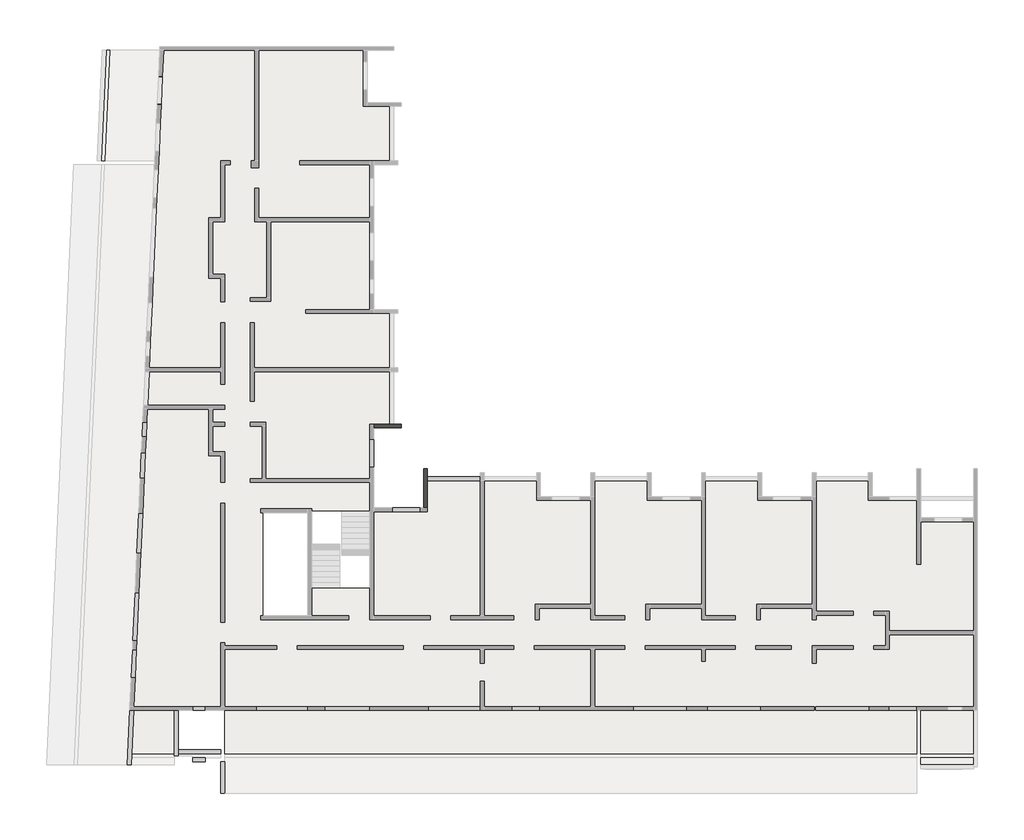
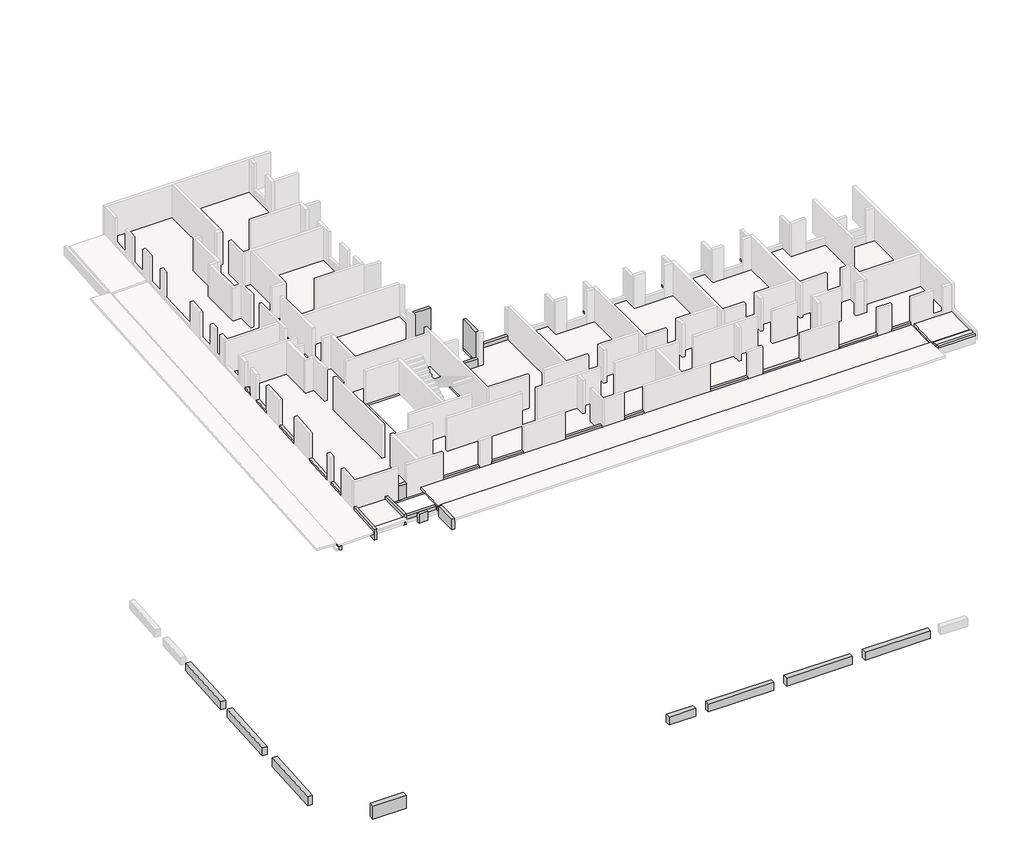
# One storey, part 3 of 4: 34 beams, 4 slabs.
"""IFC4 building model written with IfcOpenShell, lengths in millimetres."""

from ifc_helpers import new_model, si_unit, frame, origin, place, context, project, spatial, polyline, outline, extrude, faceted_brep, element, save

model = new_model("IFC4")

# Units and contexts
model_context = context("Model", 3, world=origin())
ifc_project = project(units=[si_unit("LENGTHUNIT", "METRE", prefix="MILLI")], contexts=[model_context])

# Site, building, storey
site = spatial("IfcSite", under=ifc_project)
building = spatial("IfcBuilding", under=site)
storey = spatial("IfcBuildingStorey", under=building, Elevation=17350.0)

# Beams
placement = place(None, origin())
element("IfcBeam", 1, ObjectType="VF. 35/100", at=placement, inside=storey, context=model_context, shape_type="SweptSolid", body=[
    extrude(outline(polyline([(-39315.6912908, -18724.0672499), (-39315.6912908, -19074.0672499), (-41735.6912908, -19074.0672499), (-41735.6912908, -18724.0672499), (-39315.6912908, -18724.0672499)])), frame((0.0, 0.0, -4300.0), z_axis=(0.0, 0.0, 1.0), x_axis=(1.0, 0.0, 0.0)), (0.0, 0.0, 1.0), 1000.0),
])
element("IfcBeam", 2, ObjectType="VF. 35/60", at=placement, inside=storey, context=model_context, shape_type="SweptSolid", body=[
    extrude(outline(polyline([(-18535.6912908, -19094.0672499), (-18535.6912908, -19444.0672499), (-20455.6912908, -19444.0672499), (-20455.6912908, -19094.0672499), (-18535.6912908, -19094.0672499)])), frame((0.0, 0.0, -4300.0), z_axis=(0.0, 0.0, 1.0), x_axis=(1.0, 0.0, 0.0)), (0.0, 0.0, 1.0), 600.0),
])
element("IfcBeam", 3, ObjectType="VF. 35/60", at=placement, inside=storey, context=model_context, shape_type="SweptSolid", body=[
    extrude(outline(polyline([(-12845.6912908, -19094.0672499), (-12845.6912908, -19444.0672499), (-17610.6912908, -19444.0672499), (-17610.6912908, -19094.0672499), (-12845.6912908, -19094.0672499)])), frame((0.0, 0.0, -4300.0), z_axis=(0.0, 0.0, 1.0), x_axis=(1.0, 0.0, 0.0)), (0.0, 0.0, 1.0), 600.0),
])
element("IfcBeam", 4, ObjectType="VF. 35/60", at=placement, inside=storey, context=model_context, shape_type="SweptSolid", body=[
    extrude(outline(polyline([(-7155.6912908, -19094.0672499), (-7155.6912908, -19444.0672499), (-11920.6912908, -19444.0672499), (-11920.6912908, -19094.0672499), (-7155.6912908, -19094.0672499)])), frame((0.0, 0.0, -4300.0), z_axis=(0.0, 0.0, 1.0), x_axis=(1.0, 0.0, 0.0)), (0.0, 0.0, 1.0), 600.0),
])
element("IfcBeam", 5, ObjectType="VF. 35/60", at=placement, inside=storey, context=model_context, shape_type="SweptSolid", body=[
    extrude(outline(polyline([(-1485.6912908, -19094.0672499), (-1485.6912908, -19444.0672499), (-6230.6912908, -19444.0672499), (-6230.6912908, -19094.0672499), (-1485.6912908, -19094.0672499)])), frame((0.0, 0.0, -4300.0), z_axis=(0.0, 0.0, 1.0), x_axis=(1.0, 0.0, 0.0)), (0.0, 0.0, 1.0), 600.0),
])
element("IfcBeam", 6, ObjectType="VF. 35/60", at=placement, inside=storey, context=model_context, shape_type="SweptSolid", body=[
    extrude(outline(polyline([(-43802.0644117, 886.0114476), (-43452.4240025, 870.1500411), (-43669.7252716, -3919.9235657), (-44019.3656808, -3904.0621592), (-43802.0644117, 886.0114476)])), frame((0.0, 0.0, -4300.0), z_axis=(0.0, 0.0, 1.0), x_axis=(1.0, 0.0, 0.0)), (0.0, 0.0, 1.0), 600.0),
    extrude(outline(polyline([(-44060.3787462, -4808.1323603), (-43710.7383369, -4823.9937668), (-43927.8130145, -9609.0725106), (-44277.4534238, -9593.2111041), (-44060.3787462, -4808.1323603)])), frame((0.0, 0.0, -4300.0), z_axis=(0.0, 0.0, 1.0), x_axis=(1.0, 0.0, 0.0)), (0.0, 0.0, 1.0), 600.0),
])
element("IfcBeam", 7, ObjectType="VF. 35/70", at=placement, inside=storey, context=model_context, shape_type="SweptSolid", body=[
    extrude(outline(polyline([(-44206.5205859, -15752.7539875), (-44556.1609951, -15736.892581), (-44339.0863176, -10951.8138372), (-43989.4459083, -10967.6752437), (-44206.5205859, -15752.7539875)])), frame((0.0, 0.0, -4300.0), z_axis=(0.0, 0.0, 1.0), x_axis=(1.0, 0.0, 0.0)), (0.0, 0.0, 1.0), 700.0),
])
element("IfcBeam", 8, ObjectType="VI. 20/125", at=placement, inside=storey, context=model_context, shape_type="SweptSolid", body=[
    extrude(outline(polyline([(-37760.6912908, -16219.0672499), (-37760.6912908, -16419.0672499), (-38350.6912908, -16419.0672499), (-38350.6912908, -16219.0672499), (-37760.6912908, -16219.0672499)])), frame((0.0, 0.0, 17350.0), z_axis=(0.0, 0.0, 1.0), x_axis=(1.0, 0.0, 0.0)), (0.0, 0.0, 1.0), 1100.0),
])
element("IfcBeam", 9, ObjectType="VI. 20/238", at=placement, inside=storey, context=model_context, shape_type="Brep", body=[
    faceted_brep([(-26495.6912908, -3999.0672499, 19580.0), (-26295.6912908, -3999.0672499, 19580.0), (-26295.6912908, -3999.0672499, 17350.0), (-26495.6912908, -3999.0672499, 17350.0), (-26295.6912908, -6004.0672499, 19580.0), (-26495.6912908, -6004.0672499, 19580.0), (-26495.6912908, -6004.0672499, 17350.0), (-26295.6912908, -6004.0672499, 17350.0), (-26295.6912908, -4599.0672499, 17350.0), (-26295.6912908, -4399.0672499, 17350.0)], [[[0, 1, 2, 3]], [[4, 5, 6, 7]], [[1, 4, 7, 8, 9, 2]], [[5, 0, 3, 6]], [[1, 0, 5, 4]], [[3, 2, 9, 8, 7, 6]]]),
])
element("IfcBeam", 10, ObjectType="VI. 20/238", at=placement, inside=storey, context=model_context, shape_type="Brep", body=[
    faceted_brep([(-27635.6912908, -1689.5482142, 19580.0), (-27635.6912908, -1889.5482142, 19580.0), (-27635.6912908, -1889.5482142, 17350.0), (-27635.6912908, -1689.5482142, 17350.0), (-29065.6912908, -1889.5482142, 19580.0), (-29065.6912908, -1689.5482142, 19580.0), (-29065.6912908, -1689.5482142, 17350.0), (-29065.6912908, -1889.5482142, 17350.0), (-28035.6912908, -1689.5482142, 17350.0), (-28235.6912908, -1689.5482142, 17350.0)], [[[0, 1, 2, 3]], [[4, 5, 6, 7]], [[5, 0, 3, 8, 9, 6]], [[1, 4, 7, 2]], [[1, 0, 5, 4]], [[3, 2, 7, 6, 9, 8]]]),
])
element("IfcBeam", 11, ObjectType="VI. 20/44.5", at=placement, inside=storey, context=model_context, shape_type="Brep", body=[
    faceted_brep([(-39315.6912908, -18649.0672499, 17300.0), (-39315.6912908, -18449.0672499, 17300.0), (-39315.6912908, -18449.0672499, 17599.9531323), (-39315.6912908, -18649.0672499, 17594.9531323), (-39315.6912908, -18649.0672499, 17500.0), (-41510.006187, -18649.0672499, 17300.0), (-41510.006187, -18649.0672499, 17594.9531323), (-41510.006187, -18649.0672499, 17500.0), (-41500.9332045, -18449.0672499, 17300.0), (-41500.9332045, -18449.0672499, 17599.9531323)], [[[0, 1, 2, 3, 4]], [[5, 0, 4, 3, 6, 7]], [[1, 0, 5, 8]], [[1, 8, 9, 2]], [[8, 5, 7, 6, 9]], [[3, 2, 9, 6]]]),
])
element("IfcBeam", 12, ObjectType="VI. 20/44.5", at=placement, inside=storey, context=model_context, shape_type="Brep", body=[
    faceted_brep([(-36935.6912908, -18649.0672499, 17770.0), (-36935.6912908, -18649.0672499, 17500.0), (-36935.6912908, -18649.0672499, 17325.0), (-36935.6912908, -18449.0672499, 17325.0), (-36935.6912908, -18449.0672499, 17770.0), (-39115.6912908, -18649.0672499, 17770.0), (-39115.6912908, -18449.0672499, 17770.0), (-39115.6912908, -18449.0672499, 17325.0), (-39115.6912908, -18649.0672499, 17325.0), (-39115.6912908, -18649.0672499, 17500.0)], [[[0, 1, 2, 3, 4]], [[5, 6, 7, 8, 9]], [[2, 1, 0, 5, 9, 8]], [[3, 2, 8, 7]], [[4, 3, 7, 6]], [[0, 4, 6, 5]]]),
])
element("IfcBeam", 13, ObjectType="VI. 20/44.5", at=placement, inside=storey, context=model_context, shape_type="Brep", body=[
    faceted_brep([(1794.3087092, -18649.0672499, 17300.0), (1794.3087092, -18449.0672499, 17300.0), (1794.3087092, -18449.0672499, 17599.9531323), (1794.3087092, -18649.0672499, 17594.9531323), (1794.3087092, -18649.0672499, 17500.0), (-925.6912908, -18649.0672499, 17300.0), (-925.6912908, -18649.0672499, 17594.9531323), (-925.6912908, -18649.0672499, 17500.0), (-925.6912908, -18449.0672499, 17300.0), (-925.6912908, -18449.0672499, 17599.9531323)], [[[0, 1, 2, 3, 4]], [[5, 0, 4, 3, 6, 7]], [[1, 0, 5, 8]], [[1, 8, 9, 2]], [[8, 5, 7, 6, 9]], [[3, 2, 9, 6]]]),
    faceted_brep([(-36735.6912908, -18449.0672499, 17300.0), (-36735.6912908, -18649.0672499, 17300.0), (-36735.6912908, -18649.0672499, 17500.0), (-36735.6912908, -18649.0672499, 17594.9531323), (-36735.6912908, -18449.0672499, 17599.9531323), (-32185.6912908, -18649.0672499, 17300.0), (-32185.6912908, -18449.0672499, 17300.0), (-32185.6912908, -18449.0672499, 17599.9531323), (-32185.6912908, -18649.0672499, 17594.9531323), (-32185.6912908, -18649.0672499, 17500.0)], [[[0, 1, 2, 3, 4]], [[5, 6, 7, 8, 9]], [[1, 0, 6, 5]], [[4, 3, 8, 7]], [[1, 5, 9, 8, 3, 2]], [[6, 0, 4, 7]]]),
    faceted_brep([(-29065.6912908, -18649.0672499, 17300.0), (-29065.6912908, -18649.0672499, 17500.0), (-29065.6912908, -18649.0672499, 17594.9531323), (-29065.6912908, -18449.0672499, 17599.9531323), (-29065.6912908, -18449.0672499, 17300.0), (-23575.6912908, -18649.0672499, 17300.0), (-23575.6912908, -18449.0672499, 17300.0), (-23575.6912908, -18449.0672499, 17599.9531323), (-23575.6912908, -18649.0672499, 17594.9531323), (-23575.6912908, -18649.0672499, 17500.0)], [[[0, 1, 2, 3, 4]], [[5, 6, 7, 8, 9]], [[3, 2, 8, 7]], [[0, 4, 6, 5]], [[1, 0, 5, 9, 8, 2]], [[6, 4, 3, 7]]]),
    faceted_brep([(-29265.6912908, -18649.0672499, 17500.0), (-29265.6912908, -18649.0672499, 17300.0), (-29265.6912908, -18449.0672499, 17300.0), (-29265.6912908, -18449.0672499, 17599.9531323), (-29265.6912908, -18649.0672499, 17594.9531323), (-31985.6912908, -18449.0672499, 17300.0), (-31985.6912908, -18649.0672499, 17300.0), (-31985.6912908, -18649.0672499, 17500.0), (-31985.6912908, -18649.0672499, 17594.9531323), (-31985.6912908, -18449.0672499, 17599.9531323)], [[[0, 1, 2, 3, 4]], [[5, 6, 7, 8, 9]], [[4, 3, 9, 8]], [[2, 1, 6, 5]], [[1, 0, 4, 8, 7, 6]], [[2, 5, 9, 3]]]),
    faceted_brep([(-17685.6912908, -18649.0672499, 17300.0), (-17685.6912908, -18649.0672499, 17500.0), (-17685.6912908, -18649.0672499, 17594.9531323), (-17685.6912908, -18449.0672499, 17599.9531323), (-17685.6912908, -18449.0672499, 17300.0), (-12195.6912908, -18649.0672499, 17500.0), (-12195.6912908, -18649.0672499, 17300.0), (-12195.6912908, -18449.0672499, 17300.0), (-12195.6912908, -18449.0672499, 17599.9531323), (-12195.6912908, -18649.0672499, 17594.9531323)], [[[0, 1, 2, 3, 4]], [[5, 6, 7, 8, 9]], [[3, 2, 9, 8]], [[0, 4, 7, 6]], [[1, 0, 6, 5, 9, 2]], [[7, 4, 3, 8]]]),
    faceted_brep([(-17885.6912908, -18649.0672499, 17500.0), (-17885.6912908, -18649.0672499, 17300.0), (-17885.6912908, -18449.0672499, 17300.0), (-17885.6912908, -18449.0672499, 17599.9531323), (-17885.6912908, -18649.0672499, 17594.9531323), (-23375.6912908, -18449.0672499, 17300.0), (-23375.6912908, -18649.0672499, 17300.0), (-23375.6912908, -18649.0672499, 17500.0), (-23375.6912908, -18649.0672499, 17594.9531323), (-23375.6912908, -18449.0672499, 17599.9531323)], [[[0, 1, 2, 3, 4]], [[5, 6, 7, 8, 9]], [[4, 3, 9, 8]], [[2, 1, 6, 5]], [[1, 0, 4, 8, 7, 6]], [[2, 5, 9, 3]]]),
    faceted_brep([(-11995.6912908, -18649.0672499, 17300.0), (-11995.6912908, -18649.0672499, 17500.0), (-11995.6912908, -18649.0672499, 17594.9531323), (-11995.6912908, -18449.0672499, 17599.9531323), (-11995.6912908, -18449.0672499, 17300.0), (-6305.6912908, -18649.0672499, 17300.0), (-6305.6912908, -18649.0672499, 17350.0), (-6305.6912908, -18449.0672499, 17350.0), (-6305.6912908, -18449.0672499, 17300.0), (-6505.6912908, -18649.0672499, 17350.0), (-6505.6912908, -18649.0672499, 17300.0), (-6505.6912908, -18449.0672499, 17300.0), (-6505.6912908, -18449.0672499, 17350.0), (-1125.6912908, -18649.0672499, 17300.0), (-1125.6912908, -18449.0672499, 17300.0), (-1125.6912908, -18449.0672499, 17599.9531323), (-1125.6912908, -18649.0672499, 17594.9531323), (-1125.6912908, -18649.0672499, 17500.0)], [[[0, 1, 2, 3, 4]], [[5, 6, 7, 8]], [[9, 10, 11, 12]], [[13, 14, 15, 16, 17]], [[1, 0, 10, 9, 6, 5, 13, 17, 16, 2]], [[14, 13, 5, 8]], [[11, 4, 3, 15, 14, 8, 7, 12]], [[3, 2, 16, 15]], [[0, 4, 11, 10]], [[7, 6, 9, 12]]]),
])
element("IfcBeam", 14, ObjectType="VI. 20/45", at=placement, inside=storey, context=model_context, shape_type="SweptSolid", body=[
    extrude(outline(polyline([(-23575.6912908, -4399.0672499), (-23575.6912908, -4599.0672499), (-26295.6912908, -4599.0672499), (-26295.6912908, -4399.0672499), (-23575.6912908, -4399.0672499)])), frame((0.0, 0.0, 17350.0), z_axis=(0.0, 0.0, 1.0), x_axis=(1.0, 0.0, 0.0)), (0.0, 0.0, 1.0), 300.0),
])
element("IfcBeam", 15, ObjectType="VI. 20/45", at=placement, inside=storey, context=model_context, shape_type="Brep", body=[
    faceted_brep([(-42935.6912908, 6192.5429061, 17300.0), (-42688.0719142, 11650.9327501, 17300.0), (-42688.0719142, 11650.9327501, 17603.970003), (-44088.4867569, -19219.0672499, 17603.970003), (-44088.4867569, -19219.0672499, 17300.0), (-43035.1134933, 4000.9327501, 17300.0), (-43035.1134933, 4000.9327501, 17350.0), (-42988.3876336, 5030.9327501, 17350.0), (-42988.3876336, 5030.9327501, 17300.0), (-42954.8175985, 5770.9327501, 17300.0), (-42954.8175985, 5770.9327501, 17350.0), (-42935.6912908, 6192.5429061, 17350.0), (-42888.277606, 11650.9327501, 17300.0), (-42935.6912908, 6710.9327501, 17300.0), (-43112.3802727, 6710.9327501, 17300.0), (-43047.054799, 8150.9327501, 17300.0), (-42935.6912908, 8150.9327501, 17300.0), (-42935.6912908, 8730.9327501, 17300.0), (-43020.7431499, 8730.9327501, 17300.0), (-42888.277606, 11650.9327501, 17500.0), (-43020.7431499, 8730.9327501, 17350.0), (-43047.054799, 8150.9327501, 17350.0), (-43112.3802727, 6710.9327501, 17350.0), (-43135.6912908, 6197.0770657, 17350.0), (-43135.6912908, 6197.0770657, 17300.0), (-43226.2462026, 4200.9327501, 17300.0), (-43226.2462026, 4200.9327501, 17350.0), (-43235.3191851, 4000.9327501, 17350.0), (-43235.3191851, 4000.9327501, 17300.0), (-44288.6924486, -19219.0672499, 17300.0), (-44288.6924486, -19219.0672499, 17500.0), (-44288.6924486, -19219.0672499, 17599.970003), (-42888.277606, 11650.9327501, 17599.970003), (-42935.6912908, 8150.9327501, 17350.0), (-42935.6912908, 8730.9327501, 17350.0), (-42935.6912908, 6710.9327501, 17350.0), (-43135.6912908, 5770.9327501, 17350.0), (-43135.6912908, 5770.9327501, 17300.0), (-43135.6912908, 4200.9327501, 17300.0), (-43135.6912908, 4200.9327501, 17350.0), (-43135.6912908, 5030.9327501, 17350.0), (-43135.6912908, 5030.9327501, 17300.0)], [[[0, 1, 2, 3, 4, 5, 6, 7, 8, 9, 10, 11]], [[12, 1, 0, 13, 14, 15, 16, 17, 18]], [[19, 12, 18, 20, 21, 15, 14, 22, 23, 24, 25, 26, 27, 28, 29, 30, 31, 32]], [[33, 34, 17, 16]], [[34, 33, 21, 20]], [[33, 16, 15, 21]], [[17, 34, 20, 18]], [[1, 12, 19, 32, 2]], [[11, 35, 13, 0]], [[23, 36, 37, 24]], [[13, 35, 22, 14]], [[35, 11, 10, 36, 23, 22]], [[37, 36, 10, 9]], [[26, 25, 38, 39]], [[27, 6, 5, 28]], [[40, 39, 38, 41]], [[40, 41, 8, 7]], [[30, 29, 4, 3, 31]], [[3, 2, 32, 31]], [[6, 27, 26, 39, 40, 7]], [[24, 37, 9, 8, 41, 38, 25]], [[28, 5, 4, 29]]]),
])
element("IfcBeam", 16, ObjectType="VI. 20/70", at=placement, inside=storey, context=model_context, shape_type="Brep", body=[
    faceted_brep([(-37735.6912908, -19049.0672499, 17900.0), (-37735.6912908, -19049.0672499, 17200.0), (-37735.6912908, -18849.0672499, 17200.0), (-37735.6912908, -18849.0672499, 17900.0), (-38375.6912908, -19049.0672499, 17900.0), (-38375.6912908, -18849.0672499, 17900.0), (-38375.6912908, -18849.0672499, 17500.0), (-38375.6912908, -18849.0672499, 17300.0), (-38375.6912908, -18849.0672499, 17200.0), (-38375.6912908, -19049.0672499, 17200.0)], [[[0, 1, 2, 3]], [[4, 5, 6, 7, 8, 9]], [[1, 0, 4, 9]], [[2, 1, 9, 8]], [[3, 2, 8, 7, 6, 5]], [[0, 3, 5, 4]]]),
])
element("IfcBeam", 17, ObjectType="VI. 20/75", at=placement, inside=storey, context=model_context, shape_type="SweptSolid", body=[
    extrude(outline(polyline([(-29065.6912908, -3909.0672499), (-29265.6912908, -3909.0672499), (-29265.6912908, -2469.0672499), (-29065.6912908, -2469.0672499), (-29065.6912908, -3909.0672499)])), frame((0.0, 0.0, 17350.0), z_axis=(0.0, 0.0, 1.0), x_axis=(1.0, 0.0, 0.0)), (0.0, 0.0, 1.0), 600.0),
])
element("IfcBeam", 18, ObjectType="VI. 20/75", at=placement, inside=storey, context=model_context, shape_type="SweptSolid", body=[
    extrude(outline(polyline([(-26675.6912908, -6004.0672499), (-26675.6912908, -6204.0672499), (-28115.6912908, -6204.0672499), (-28115.6912908, -6004.0672499), (-26675.6912908, -6004.0672499)])), frame((0.0, 0.0, 17350.0), z_axis=(0.0, 0.0, 1.0), x_axis=(1.0, 0.0, 0.0)), (0.0, 0.0, 1.0), 600.0),
])
element("IfcBeam", 19, ObjectType="VI. 20/75", at=placement, inside=storey, context=model_context, shape_type="Brep", body=[
    faceted_brep([(-41467.4470985, -13297.689544, 17950.0), (-41267.6525789, -13306.7532049, 17950.0), (-41267.6525789, -13306.7532049, 17350.0), (-41467.4470985, -13297.689544, 17350.0), (-41467.4470985, -13297.689544, 17650.970003), (-41467.4470985, -13297.689544, 17801.0), (-41332.9109371, -14745.2737458, 17950.0), (-41532.7054566, -14736.2100849, 17950.0), (-41532.7054566, -14736.2100849, 17801.0), (-41532.7054566, -14736.2100849, 17650.970003), (-41532.7054566, -14736.2100849, 17350.0), (-41332.9109371, -14745.2737458, 17350.0)], [[[0, 1, 2, 3, 4, 5]], [[6, 7, 8, 9, 10, 11]], [[1, 6, 11, 2]], [[7, 0, 5, 4, 3, 10, 9, 8]], [[1, 0, 7, 6]], [[3, 2, 11, 10]]]),
])
element("IfcBeam", 20, ObjectType="VI. 20/75", at=placement, inside=storey, context=model_context, shape_type="Brep", body=[
    faceted_brep([(-41334.8458454, -10374.6980441, 17950.0), (-41135.0513258, -10383.7617049, 17950.0), (-41135.0513258, -10383.7617049, 17350.0), (-41334.8458454, -10374.6980441, 17350.0), (-41334.8458454, -10374.6980441, 17650.970003), (-41334.8458454, -10374.6980441, 17801.0), (-41246.1263843, -12832.2412209, 17950.0), (-41445.9209039, -12823.17756, 17950.0), (-41445.9209039, -12823.17756, 17801.0), (-41445.9209039, -12823.17756, 17650.970003), (-41445.9209039, -12823.17756, 17350.0), (-41246.1263843, -12832.2412209, 17350.0)], [[[0, 1, 2, 3, 4, 5]], [[6, 7, 8, 9, 10, 11]], [[1, 6, 11, 2]], [[7, 0, 5, 4, 3, 10, 9, 8]], [[1, 0, 7, 6]], [[11, 10, 3, 2]]]),
])
element("IfcBeam", 21, ObjectType="VI. 20/75", at=placement, inside=storey, context=model_context, shape_type="Brep", body=[
    faceted_brep([(-41149.2673893, -6283.9052558, 17950.0), (-40949.4728698, -6292.9689167, 17950.0), (-40949.4728698, -6292.9689167, 17350.0), (-41149.2673893, -6283.9052558, 17350.0), (-41149.2673893, -6283.9052558, 17650.970003), (-41149.2673893, -6283.9052558, 17801.0), (-41041.9222105, -8330.8730163, 17950.0), (-41241.7167301, -8321.8093555, 17950.0), (-41241.7167301, -8321.8093555, 17801.0), (-41241.7167301, -8321.8093555, 17650.970003), (-41241.7167301, -8321.8093555, 17350.0), (-41041.9222105, -8330.8730163, 17350.0)], [[[0, 1, 2, 3, 4, 5]], [[6, 7, 8, 9, 10, 11]], [[1, 6, 11, 2]], [[7, 0, 5, 4, 3, 10, 9, 8]], [[1, 0, 7, 6]], [[3, 2, 11, 10]]]),
])
element("IfcBeam", 22, ObjectType="VI. 20/75", at=placement, inside=storey, context=model_context, shape_type="SweptSolid", body=[
    extrude(outline(polyline([(-40867.6367297, -4484.8343098), (-41067.4299409, -4475.7418525), (-41007.6470342, -3162.1014892), (-40807.8538231, -3171.1939465), (-40867.6367297, -4484.8343098)])), frame((0.0, 0.0, 17200.0), z_axis=(0.0, 0.0, 1.0), x_axis=(1.0, 0.0, 0.0)), (0.0, 0.0, 1.0), 750.0),
])
element("IfcBeam", 23, ObjectType="VI. 20/75", at=placement, inside=storey, context=model_context, shape_type="Brep", body=[
    faceted_brep([(-40936.4979507, -1593.7289088, 17950.0), (-40736.7034311, -1602.7925697, 17950.0), (-40736.7034311, -1602.7925697, 17350.0), (-40936.4979507, -1593.7289088, 17350.0), (-40936.4979507, -1593.7289088, 17650.970003), (-40936.4979507, -1593.7289088, 17801.0), (-40770.2389763, -2342.0322921, 17950.0), (-40970.0334959, -2332.9686312, 17950.0), (-40970.0334959, -2332.9686312, 17801.0), (-40970.0334959, -2332.9686312, 17650.970003), (-40970.0334959, -2332.9686312, 17350.0), (-40770.2389763, -2342.0322921, 17350.0)], [[[0, 1, 2, 3, 4, 5]], [[6, 7, 8, 9, 10, 11]], [[1, 6, 11, 2]], [[7, 0, 5, 4, 3, 10, 9, 8]], [[1, 0, 7, 6]], [[3, 2, 11, 10]]]),
])
element("IfcBeam", 24, ObjectType="VI. 20/75", at=placement, inside=storey, context=model_context, shape_type="SweptSolid", body=[
    extrude(outline(polyline([(-35095.6912908, -16419.0672499), (-35095.6912908, -16219.0672499), (-32455.6912908, -16219.0672499), (-32455.6912908, -16419.0672499), (-35095.6912908, -16419.0672499)])), frame((0.0, 0.0, 17350.0), z_axis=(0.0, 0.0, 1.0), x_axis=(1.0, 0.0, 0.0)), (0.0, 0.0, 1.0), 600.0),
])
element("IfcBeam", 25, ObjectType="VI. 20/75", at=placement, inside=storey, context=model_context, shape_type="SweptSolid", body=[
    extrude(outline(polyline([(-31585.6912908, -16419.0672499), (-31585.6912908, -16219.0672499), (-29265.6912908, -16219.0672499), (-29265.6912908, -16419.0672499), (-31585.6912908, -16419.0672499)])), frame((0.0, 0.0, 17350.0), z_axis=(0.0, 0.0, 1.0), x_axis=(1.0, 0.0, 0.0)), (0.0, 0.0, 1.0), 600.0),
])
element("IfcBeam", 26, ObjectType="VI. 20/75", at=placement, inside=storey, context=model_context, shape_type="SweptSolid", body=[
    extrude(outline(polyline([(-26230.6912908, -16419.0672499), (-26230.6912908, -16219.0672499), (-23600.6912908, -16219.0672499), (-23600.6912908, -16419.0672499), (-26230.6912908, -16419.0672499)])), frame((0.0, 0.0, 17350.0), z_axis=(0.0, 0.0, 1.0), x_axis=(1.0, 0.0, 0.0)), (0.0, 0.0, 1.0), 600.0),
])
element("IfcBeam", 27, ObjectType="VI. 20/75", at=placement, inside=storey, context=model_context, shape_type="SweptSolid", body=[
    extrude(outline(polyline([(-20540.6912908, -16219.0672499), (-20540.6912908, -16419.0672499), (-21930.6912908, -16419.0672499), (-21930.6912908, -16219.0672499), (-20540.6912908, -16219.0672499)])), frame((0.0, 0.0, 17350.0), z_axis=(0.0, 0.0, 1.0), x_axis=(1.0, 0.0, 0.0)), (0.0, 0.0, 1.0), 600.0),
])
element("IfcBeam", 28, ObjectType="VI. 20/75", at=placement, inside=storey, context=model_context, shape_type="SweptSolid", body=[
    extrude(outline(polyline([(-12965.6912908, -16219.0672499), (-12965.6912908, -16419.0672499), (-15705.6912908, -16419.0672499), (-15705.6912908, -16219.0672499), (-12965.6912908, -16219.0672499)])), frame((0.0, 0.0, 17350.0), z_axis=(0.0, 0.0, 1.0), x_axis=(1.0, 0.0, 0.0)), (0.0, 0.0, 1.0), 600.0),
])
element("IfcBeam", 29, ObjectType="VI. 20/75", at=placement, inside=storey, context=model_context, shape_type="SweptSolid", body=[
    extrude(outline(polyline([(-9155.6912908, -16219.0672499), (-9155.6912908, -16419.0672499), (-11895.6912908, -16419.0672499), (-11895.6912908, -16219.0672499), (-9155.6912908, -16219.0672499)])), frame((0.0, 0.0, 17350.0), z_axis=(0.0, 0.0, 1.0), x_axis=(1.0, 0.0, 0.0)), (0.0, 0.0, 1.0), 600.0),
])
element("IfcBeam", 30, ObjectType="VI. 20/75", at=placement, inside=storey, context=model_context, shape_type="SweptSolid", body=[
    extrude(outline(polyline([(-3570.6912908, -16219.0672499), (-3570.6912908, -16419.0672499), (-6330.6912908, -16419.0672499), (-6330.6912908, -16219.0672499), (-3570.6912908, -16219.0672499)])), frame((0.0, 0.0, 17350.0), z_axis=(0.0, 0.0, 1.0), x_axis=(1.0, 0.0, 0.0)), (0.0, 0.0, 1.0), 600.0),
])
element("IfcBeam", 31, ObjectType="VI. 20/75", at=placement, inside=storey, context=model_context, shape_type="Brep", body=[
    faceted_brep([(-2555.6912908, -16419.0672499, 17950.0), (-2555.6912908, -16219.0672499, 17950.0), (-2555.6912908, -16219.0672499, 17350.0), (-2555.6912908, -16419.0672499, 17350.0), (-1125.6912908, -16419.0672499, 17350.0), (-1125.6912908, -16419.0672499, 17650.7031323), (-1125.6912908, -16419.0672499, 17800.75), (-1125.6912908, -16419.0672499, 17950.0), (-1125.6912908, -16219.0672499, 17950.0), (-1125.6912908, -16219.0672499, 17350.0)], [[[0, 1, 2, 3]], [[0, 3, 4, 5, 6, 7]], [[2, 1, 8, 9]], [[1, 0, 7, 8]], [[3, 2, 9, 4]], [[7, 6, 5, 4, 9, 8]]]),
])
element("IfcBeam", 32, ObjectType="VI. 20/80", at=placement, inside=storey, context=model_context, shape_type="Brep", body=[
    faceted_brep([(-36735.6912908, -19049.0672499, 18000.0), (-36735.6912908, -19049.0672499, 17200.0), (-36935.6912908, -19049.0672499, 17200.0), (-36935.6912908, -19049.0672499, 18000.0), (-36735.6912908, -20669.0672499, 18000.0), (-36935.6912908, -20669.0672499, 18000.0), (-36935.6912908, -20669.0672499, 17200.0), (-36735.6912908, -20669.0672499, 17200.0), (-36735.6912908, -20669.0672499, 17849.4939779), (-36735.6912908, -20669.0672499, 17999.62)], [[[0, 1, 2, 3]], [[4, 5, 6, 7, 8, 9]], [[1, 0, 4, 9, 8, 7]], [[2, 1, 7, 6]], [[3, 2, 6, 5]], [[0, 3, 5, 4]]]),
])
element("IfcBeam", 33, ObjectType="VI. 20/80", at=placement, inside=storey, context=model_context, shape_type="Brep", body=[
    faceted_brep([(-41408.8424326, -16419.0672499, 18000.0), (-41535.864187, -19219.0672499, 18000.0), (-41535.864187, -19219.0672499, 17939.8), (-41535.864187, -19219.0672499, 17789.680048), (-41535.864187, -19219.0672499, 17200.0), (-41408.8424326, -16419.0672499, 17200.0), (-41408.8424326, -16419.0672499, 17650.7031323), (-41408.8424326, -16419.0672499, 17800.75), (-41609.0481243, -16419.0672499, 17200.0), (-41736.0698788, -19219.0672499, 17200.0), (-41736.0698788, -19219.0672499, 18000.0), (-41609.0481243, -16419.0672499, 18000.0), (-41609.0481243, -16419.0672499, 17801.0), (-41609.0481243, -16419.0672499, 17650.970003), (-41609.0481243, -16419.0672499, 17350.0), (-41736.0698788, -19219.0672499, 17650.970003), (-41736.0698788, -19219.0672499, 17801.0)], [[[0, 1, 2, 3, 4, 5, 6, 7]], [[8, 5, 4, 9]], [[10, 11, 12, 13, 14, 8, 9, 15, 16]], [[0, 11, 10, 1]], [[11, 0, 7, 6, 5, 8, 14, 13, 12]], [[1, 10, 16, 15, 9, 4, 3, 2]]]),
])
element("IfcBeam", 34, ObjectType="VI. 20/80", at=placement, inside=storey, context=model_context, shape_type="Brep", body=[
    faceted_brep([(-39115.6912908, -16419.0672499, 18000.0), (-39115.6912908, -16419.0672499, 17200.0), (-39315.6912908, -16419.0672499, 17200.0), (-39315.6912908, -16419.0672499, 17650.7031323), (-39315.6912908, -16419.0672499, 17800.75), (-39315.6912908, -16419.0672499, 18000.0), (-39115.6912908, -18749.0672499, 18000.0), (-39315.6912908, -18749.0672499, 18000.0), (-39315.6912908, -18749.0672499, 17500.0), (-39315.6912908, -18749.0672499, 17300.0), (-39315.6912908, -18749.0672499, 17200.0), (-39115.6912908, -18749.0672499, 17200.0), (-39115.6912908, -18749.0672499, 17300.0), (-39115.6912908, -18749.0672499, 17500.0)], [[[0, 1, 2, 3, 4, 5]], [[6, 7, 8, 9, 10, 11, 12, 13]], [[1, 0, 6, 13, 12, 11]], [[2, 1, 11, 10]], [[2, 10, 9, 8, 7, 5, 4, 3]], [[0, 5, 7, 6]]]),
])

# Slabs
element("IfcSlab", 35, ObjectType="LHA15", at=placement, inside=storey, context=model_context, shape_type="Brep", body=[
    faceted_brep([(-40059.8363693, 17730.9327501, 17200.0), (-40059.8363693, 17730.9327501, 17350.0), (-29395.6912908, 17730.9327501, 17350.0), (-29395.6912908, 17730.9327501, 17200.0), (-29395.6912908, 16950.9327501, 17350.0), (-29395.6912908, 15510.9327501, 17350.0), (-29395.6912908, 14850.8982988, 17350.0), (-29395.6912908, 14850.8982988, 17200.0), (-27635.6912908, 14850.8982988, 17350.0), (-27635.6912908, 14850.8982988, 17200.0), (-28035.6912908, 14650.9327501, 17200.0), (-28035.6912908, 14650.9327501, 17350.0), (-28035.6912908, 11850.9327501, 17350.0), (-28035.6912908, 11850.9327501, 17200.0), (-27835.6912908, 11650.9327501, 17200.0), (-27835.6912908, 11650.9327501, 17350.0), (-29065.6912908, 11650.9327501, 17350.0), (-29065.6912908, 11650.9327501, 17200.0), (-29065.6912908, 10925.9327501, 17350.0), (-29065.6912908, 9535.9327501, 17350.0), (-29065.6912908, 8150.9327501, 17350.0), (-29065.6912908, 6710.9327501, 17350.0), (-29065.6912908, 5760.9327501, 17350.0), (-29065.6912908, 5020.9327501, 17350.0), (-29065.6912908, 4200.9327501, 17350.0), (-29065.6912908, 4200.9327501, 17200.0), (-27835.6912908, 4200.9327501, 17350.0), (-27835.6912908, 4200.9327501, 17200.0), (-28035.6912908, 1000.9327501, 17200.0), (-28035.6912908, 1000.9327501, 17350.0), (-28035.6912908, -1689.5482142, 17350.0), (-28035.6912908, -1689.5482142, 17200.0), (-29065.6912908, -1889.5482142, 17200.0), (-29065.6912908, -1889.5482142, 17350.0), (-29065.6912908, -2469.0672499, 17350.0), (-29065.6912908, -3909.0672499, 17350.0), (-29065.6912908, -6004.0672499, 17350.0), (-29065.6912908, -6004.0672499, 17200.0), (-28115.6912908, -6004.0672499, 17350.0), (-26675.6912908, -6004.0672499, 17350.0), (-26495.6912908, -6004.0672499, 17350.0), (-26495.6912908, -6004.0672499, 17200.0), (-26495.6912908, -3999.0672499, 17350.0), (-26495.6912908, -3999.0672499, 17200.0), (-26295.6912908, -4399.0672499, 17200.0), (-26295.6912908, -4399.0672499, 17350.0), (-23575.6912908, -4399.0672499, 17350.0), (-23575.6912908, -4399.0672499, 17200.0), (-20485.6912908, -4199.0672499, 17200.0), (-20485.6912908, -4199.0672499, 17350.0), (-20485.6912908, -5419.0672499, 17350.0), (-20485.6912908, -5419.0672499, 17200.0), (-19905.6912908, -5419.0672499, 17350.0), (-18465.6912908, -5419.0672499, 17350.0), (-17885.6912908, -5419.0672499, 17350.0), (-17885.6912908, -5419.0672499, 17200.0), (-17885.6912908, -4199.0672499, 17350.0), (-17885.6912908, -4199.0672499, 17200.0), (-17685.6912908, -4399.0672499, 17200.0), (-17685.6912908, -4399.0672499, 17350.0), (-14995.6912908, -4399.0672499, 17350.0), (-14995.6912908, -4399.0672499, 17200.0), (-14795.6912908, -4199.0672499, 17200.0), (-14795.6912908, -4199.0672499, 17350.0), (-14795.6912908, -5419.0672499, 17350.0), (-14795.6912908, -5419.0672499, 17200.0), (-14215.6912908, -5419.0672499, 17350.0), (-12775.6912908, -5419.0672499, 17350.0), (-12195.6912908, -5419.0672499, 17350.0), (-12195.6912908, -5419.0672499, 17200.0), (-12195.6912908, -4199.0672499, 17350.0), (-12195.6912908, -4199.0672499, 17200.0), (-11995.6912908, -4399.0672499, 17200.0), (-11995.6912908, -4399.0672499, 17350.0), (-9305.6912908, -4399.0672499, 17350.0), (-9305.6912908, -4399.0672499, 17200.0), (-9105.6912908, -4199.0672499, 17200.0), (-9105.6912908, -4199.0672499, 17350.0), (-9105.6912908, -5419.0672499, 17350.0), (-9105.6912908, -5419.0672499, 17200.0), (-8525.6912908, -5419.0672499, 17350.0), (-7085.6912908, -5419.0672499, 17350.0), (-6505.6912908, -5419.0672499, 17350.0), (-6505.6912908, -5419.0672499, 17200.0), (-6505.6912908, -4199.0672499, 17350.0), (-6505.6912908, -4199.0672499, 17200.0), (-6305.6912908, -4399.0672499, 17200.0), (-6305.6912908, -4399.0672499, 17350.0), (-3615.6912908, -4399.0672499, 17350.0), (-3615.6912908, -4399.0672499, 17200.0), (-3415.6912908, -4199.0672499, 17200.0), (-3415.6912908, -4199.0672499, 17350.0), (-3415.6912908, -5419.0672499, 17350.0), (-3415.6912908, -5419.0672499, 17200.0), (-2545.6912908, -5419.0672499, 17350.0), (-1125.6912908, -5419.0672499, 17350.0), (-925.6912908, -5419.0672499, 17350.0), (-925.6912908, -5419.0672499, 17200.0), (-925.6912908, -6519.0672499, 17350.0), (-925.6912908, -6519.0672499, 17200.0), (-925.6912908, -5619.0672499, 17200.0), (-200.6912908, -6519.0672499, 17350.0), (1189.3087092, -6519.0672499, 17350.0), (1994.3087092, -6519.0672499, 17350.0), (1994.3087092, -6519.0672499, 17200.0), (1994.3087092, -16419.0672499, 17350.0), (1994.3087092, -16419.0672499, 17200.0), (-32245.6912908, -10104.0672499, 17200.0), (-32245.6912908, -10104.0672499, 17350.0), (-29265.6912908, -10104.0672499, 17350.0), (-29265.6912908, -10104.0672499, 17200.0), (-29265.6912908, -6184.0672499, 17350.0), (-29265.6912908, -6184.0672499, 17200.0), (-32245.6912908, -6184.0672499, 17350.0), (-32245.6912908, -6184.0672499, 17200.0), (-32245.6912908, -6244.0672499, 17350.0), (-32245.6912908, -6244.0672499, 17200.0), (-34745.6912908, -6244.0672499, 17350.0), (-34745.6912908, -6244.0672499, 17200.0), (-34745.6912908, -11559.0672499, 17350.0), (-34745.6912908, -11559.0672499, 17200.0), (-32245.6912908, -11559.0672499, 17350.0), (-32245.6912908, -11559.0672499, 17200.0), (-27635.6912908, -1889.5482142, 17200.0), (-27635.6912908, -1889.5482142, 17350.0), (-3615.6912908, -4199.0672499, 17350.0), (-6305.6912908, -4199.0672499, 17350.0), (-9305.6912908, -4199.0672499, 17350.0), (-11995.6912908, -4199.0672499, 17350.0), (-14995.6912908, -4199.0672499, 17350.0), (-17685.6912908, -4199.0672499, 17350.0), (-20685.6912908, -4199.0672499, 17350.0), (-20685.6912908, -4399.0672499, 17350.0), (-23375.6912908, -4399.0672499, 17350.0), (-23375.6912908, -4199.0672499, 17350.0), (-23575.6912908, -4199.0672499, 17350.0), (-26295.6912908, -3999.0672499, 17350.0), (-27635.6912908, -1689.5482142, 17350.0), (-27835.6912908, 1000.9327501, 17350.0), (-27835.6912908, 1200.9327501, 17350.0), (-28035.6912908, 1200.9327501, 17350.0), (-28035.6912908, 4000.9327501, 17350.0), (-27835.6912908, 4000.9327501, 17350.0), (-27835.6912908, 11850.9327501, 17350.0), (-27635.6912908, 14650.9327501, 17350.0), (-40130.7851818, 16166.9748617, 17350.0), (-40193.7776247, 14778.4029506, 17350.0), (-40238.4161545, 13794.4149417, 17350.0), (-40303.6745126, 12355.8944008, 17350.0), (-40347.1800848, 11396.8807068, 17350.0), (-40412.4384429, 9958.3601659, 17350.0), (-40436.6837357, 9423.909826, 17350.0), (-40459.0475976, 8930.9327501, 17350.0), (-40468.12058, 8730.9327501, 17350.0), (-40598.016899, 5867.5673776, 17350.0), (-40658.0636522, 4543.9286854, 17350.0), (-40723.3220104, 3105.4081445, 17350.0), (-40748.9268523, 2540.9886267, 17350.0), (-40782.4623975, 1801.7489043, 17350.0), (-40818.7913521, 1000.9327501, 17350.0), (-40896.5921767, -714.0672499, 17350.0), (-40936.4979507, -1593.7289088, 17350.0), (-40970.0334959, -2332.9686312, 17350.0), (-41149.2673893, -6283.9052558, 17350.0), (-41241.7167301, -8321.8093555, 17350.0), (-41334.8458454, -10374.6980441, 17350.0), (-41445.9209039, -12823.17756, 17350.0), (-41467.4470985, -13297.689544, 17350.0), (-41532.7054566, -14736.2100849, 17350.0), (-41609.0481243, -16419.0672499, 17350.0), (-38350.6912908, -16419.0672499, 17350.0), (-37760.6912908, -16419.0672499, 17350.0), (-35095.6912908, -16419.0672499, 17350.0), (-32455.6912908, -16419.0672499, 17350.0), (-31585.6912908, -16419.0672499, 17350.0), (-29265.6912908, -16419.0672499, 17350.0), (-26230.6912908, -16419.0672499, 17350.0), (-23600.6912908, -16419.0672499, 17350.0), (-21930.6912908, -16419.0672499, 17350.0), (-20540.6912908, -16419.0672499, 17350.0), (-15705.6912908, -16419.0672499, 17350.0), (-12965.6912908, -16419.0672499, 17350.0), (-11895.6912908, -16419.0672499, 17350.0), (-9155.6912908, -16419.0672499, 17350.0), (-6330.6912908, -16419.0672499, 17350.0), (-3570.6912908, -16419.0672499, 17350.0), (-2555.6912908, -16419.0672499, 17350.0), (-1125.6912908, -16419.0672499, 17350.0), (489.3087092, -16419.0672499, 17350.0), (1179.3087092, -16419.0672499, 17350.0), (-39115.6912908, -16419.0672499, 17200.0), (-39315.6912908, -16419.0672499, 17200.0), (-41408.8424326, -16419.0672499, 17200.0), (-41609.0481243, -16419.0672499, 17200.0), (-27635.6912908, 14650.9327501, 17200.0), (-27835.6912908, 11850.9327501, 17200.0), (-27835.6912908, 4000.9327501, 17200.0), (-28035.6912908, 4000.9327501, 17200.0), (-28035.6912908, 1200.9327501, 17200.0), (-27835.6912908, 1200.9327501, 17200.0), (-27835.6912908, 1000.9327501, 17200.0), (-27635.6912908, -1689.5482142, 17200.0), (-26295.6912908, -3999.0672499, 17200.0), (-23575.6912908, -4199.0672499, 17200.0), (-23375.6912908, -4199.0672499, 17200.0), (-23375.6912908, -4399.0672499, 17200.0), (-20685.6912908, -4399.0672499, 17200.0), (-20685.6912908, -4199.0672499, 17200.0), (-17685.6912908, -4199.0672499, 17200.0), (-14995.6912908, -4199.0672499, 17200.0), (-11995.6912908, -4199.0672499, 17200.0), (-9305.6912908, -4199.0672499, 17200.0), (-6305.6912908, -4199.0672499, 17200.0), (-3615.6912908, -4199.0672499, 17200.0)], [[[0, 1, 2, 3]], [[3, 2, 4, 5, 6, 7]], [[7, 6, 8, 9]], [[10, 11, 12, 13]], [[14, 15, 16, 17]], [[17, 16, 18, 19, 20, 21, 22, 23, 24, 25]], [[25, 24, 26, 27]], [[28, 29, 30, 31]], [[32, 33, 34, 35, 36, 37]], [[37, 36, 38, 39, 40, 41]], [[41, 40, 42, 43]], [[44, 45, 46, 47]], [[48, 49, 50, 51]], [[51, 50, 52, 53, 54, 55]], [[55, 54, 56, 57]], [[58, 59, 60, 61]], [[62, 63, 64, 65]], [[65, 64, 66, 67, 68, 69]], [[69, 68, 70, 71]], [[72, 73, 74, 75]], [[76, 77, 78, 79]], [[79, 78, 80, 81, 82, 83]], [[83, 82, 84, 85]], [[86, 87, 88, 89]], [[90, 91, 92, 93]], [[93, 92, 94, 95, 96, 97]], [[97, 96, 98, 99, 100]], [[99, 98, 101, 102, 103, 104]], [[104, 103, 105, 106]], [[107, 108, 109, 110]], [[110, 109, 111, 112]], [[112, 111, 113, 114]], [[114, 113, 115, 116]], [[116, 115, 117, 118]], [[118, 117, 119, 120]], [[120, 119, 121, 122]], [[122, 121, 108, 107]], [[123, 124, 33, 32]], [[103, 102, 101, 98, 96, 95, 94, 92, 91, 125, 88, 87, 126, 84, 82, 81, 80, 78, 77, 127, 74, 73, 128, 70, 68, 67, 66, 64, 63, 129, 60, 59, 130, 56, 54, 53, 52, 50, 49, 131, 132, 133, 134, 135, 46, 45, 136, 42, 40, 39, 38, 36, 35, 34, 33, 124, 137, 30, 29, 138, 139, 140, 141, 142, 26, 24, 23, 22, 21, 20, 19, 18, 16, 15, 143, 12, 11, 144, 8, 6, 5, 4, 2, 1, 145, 146, 147, 148, 149, 150, 151, 152, 153, 154, 155, 156, 157, 158, 159, 160, 161, 162, 163, 164, 165, 166, 167, 168, 169, 170, 171, 172, 173, 174, 175, 176, 177, 178, 179, 180, 181, 182, 183, 184, 185, 186, 187, 188, 189, 105], [119, 117, 115, 113, 111, 109, 108, 121]], [[104, 106, 190, 191, 192, 193, 0, 3, 7, 9, 194, 10, 13, 195, 14, 17, 25, 27, 196, 197, 198, 199, 200, 28, 31, 201, 123, 32, 37, 41, 43, 202, 44, 47, 203, 204, 205, 206, 207, 48, 51, 55, 57, 208, 58, 61, 209, 62, 65, 69, 71, 210, 72, 75, 211, 76, 79, 83, 85, 212, 86, 89, 213, 90, 93, 97, 100, 99], [120, 122, 107, 110, 112, 114, 116, 118]], [[43, 42, 136, 202]], [[202, 136, 45, 44]], [[47, 46, 135, 203]], [[203, 135, 134, 204]], [[204, 134, 133, 205]], [[205, 133, 132, 206]], [[206, 132, 131, 207]], [[207, 131, 49, 48]], [[57, 56, 130, 208]], [[208, 130, 59, 58]], [[61, 60, 129, 209]], [[209, 129, 63, 62]], [[71, 70, 128, 210]], [[210, 128, 73, 72]], [[75, 74, 127, 211]], [[211, 127, 77, 76]], [[85, 84, 126, 212]], [[212, 126, 87, 86]], [[89, 88, 125, 213]], [[213, 125, 91, 90]], [[9, 8, 144, 194]], [[194, 144, 11, 10]], [[13, 12, 143, 195]], [[195, 143, 15, 14]], [[27, 26, 142, 196]], [[196, 142, 141, 197]], [[197, 141, 140, 198]], [[198, 140, 139, 199]], [[199, 139, 138, 200]], [[200, 138, 29, 28]], [[31, 30, 137, 201]], [[201, 137, 124, 123]], [[106, 105, 189, 188, 187, 186, 185, 184, 183, 182, 181, 180, 179, 178, 177, 176, 175, 174, 173, 172, 171, 170, 169, 193, 192, 191, 190]], [[193, 169, 168, 167, 166, 165, 164, 163, 162, 161, 160, 159, 158, 157, 156, 155, 154, 153, 152, 151, 150, 149, 148, 147, 146, 145, 1, 0]]]),
])
element("IfcSlab", 36, ObjectType="LHA15", at=placement, inside=storey, context=model_context, shape_type="Brep", body=[
    faceted_brep([(-41408.8424326, -16419.0672499, 17650.7031323), (-39315.6912908, -16419.0672499, 17650.7031323), (-39315.6912908, -18449.0672499, 17599.9531323), (-39315.6912908, -18649.0672499, 17594.9531323), (-41510.006187, -18649.0672499, 17594.9531323), (-41500.9332045, -18449.0672499, 17599.9531323), (-41408.8424326, -16419.0672499, 17800.75), (-41510.006187, -18649.0672499, 17745.0), (-39315.6912908, -18649.0672499, 17745.0), (-39315.6912908, -16419.0672499, 17800.75)], [[[0, 1, 2, 3, 4, 5]], [[6, 7, 8, 9]], [[1, 0, 6, 9]], [[3, 2, 1, 9, 8]], [[4, 3, 8, 7]], [[0, 5, 4, 7, 6]]]),
    faceted_brep([(-36735.6912908, -16419.0672499, 17650.7031323), (-1125.6912908, -16419.0672499, 17650.7031323), (-1125.6912908, -18449.0672499, 17599.9531323), (-1125.6912908, -18649.0672499, 17594.9531323), (-11995.6912908, -18649.0672499, 17594.9531323), (-12195.6912908, -18649.0672499, 17594.9531323), (-17685.6912908, -18649.0672499, 17594.9531323), (-17885.6912908, -18649.0672499, 17594.9531323), (-23375.6912908, -18649.0672499, 17594.9531323), (-23575.6912908, -18649.0672499, 17594.9531323), (-29065.6912908, -18649.0672499, 17594.9531323), (-29265.6912908, -18649.0672499, 17594.9531323), (-31985.6912908, -18649.0672499, 17594.9531323), (-32185.6912908, -18649.0672499, 17594.9531323), (-36735.6912908, -18649.0672499, 17594.9531323), (-36735.6912908, -18449.0672499, 17599.9531323), (-36735.6912908, -16419.0672499, 17800.75), (-36735.6912908, -18649.0672499, 17745.0), (-1125.6912908, -18649.0672499, 17745.0), (-1125.6912908, -16419.0672499, 17800.75)], [[[0, 1, 2, 3, 4, 5, 6, 7, 8, 9, 10, 11, 12, 13, 14, 15]], [[16, 17, 18, 19]], [[1, 0, 16, 19]], [[3, 2, 1, 19, 18]], [[14, 13, 12, 11, 10, 9, 8, 7, 6, 5, 4, 3, 18, 17]], [[0, 15, 14, 17, 16]]]),
    faceted_brep([(1794.3087092, -16419.0672499, 17650.7031323), (1794.3087092, -18449.0672499, 17599.9531323), (1794.3087092, -18649.0672499, 17594.9531323), (-925.6912908, -18649.0672499, 17594.9531323), (-925.6912908, -18449.0672499, 17599.9531323), (-925.6912908, -16419.0672499, 17650.7031323), (1794.3087092, -16419.0672499, 17800.75), (-925.6912908, -16419.0672499, 17800.75), (-925.6912908, -18649.0672499, 17745.0), (1794.3087092, -18649.0672499, 17745.0)], [[[0, 1, 2, 3, 4, 5]], [[6, 7, 8, 9]], [[2, 1, 0, 6, 9]], [[3, 2, 9, 8]], [[5, 4, 3, 8, 7]], [[0, 5, 7, 6]]]),
])
element("IfcSlab", 37, ObjectType="LHA15", at=placement, inside=storey, context=model_context, shape_type="Brep", body=[
    faceted_brep([(1794.3087092, -18849.0672499, 17724.880048), (1794.3087092, -19049.0672499, 17732.880048), (1794.3087092, -19219.0672499, 17739.680048), (1794.3087092, -19419.0672499, 17747.680048), (-925.6912908, -19419.0672499, 17747.680048), (-925.6912908, -19219.0672499, 17739.680048), (-925.6912908, -19049.0672499, 17732.880048), (-925.6912908, -18849.0672499, 17724.880048), (1794.3087092, -18849.0672499, 17875.0), (-925.6912908, -18849.0672499, 17875.0), (-925.6912908, -19219.0672499, 17889.8), (-925.6912908, -19419.0672499, 17897.8), (1794.3087092, -19419.0672499, 17897.8), (1794.3087092, -19219.0672499, 17889.8)], [[[0, 1, 2, 3, 4, 5, 6, 7]], [[8, 9, 10, 11, 12, 13]], [[3, 2, 1, 0, 8, 13, 12]], [[4, 3, 12, 11]], [[7, 6, 5, 4, 11, 10, 9]], [[0, 7, 9, 8]]]),
])
element("IfcSlab", 38, ObjectType="LHA20", at=placement, inside=storey, context=model_context, shape_type="SweptSolid", body=[
    extrude(outline(polyline([(-42621.5319217, 17530.9327501), (-42879.2046235, 11850.9327501), (-43079.4103153, 11850.9327501), (-42821.7376134, 17530.9327501), (-42621.5319217, 17530.9327501)])), frame((0.0, 0.0, 17300.0), z_axis=(0.0, 0.0, 1.0), x_axis=(1.0, 0.0, 0.0)), (0.0, 0.0, 1.0), 200.0),
])

save(model, "model.ifc")
